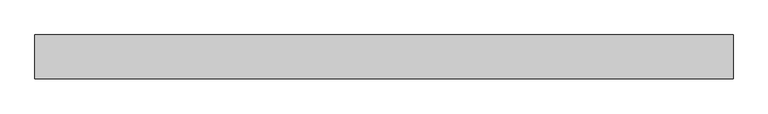
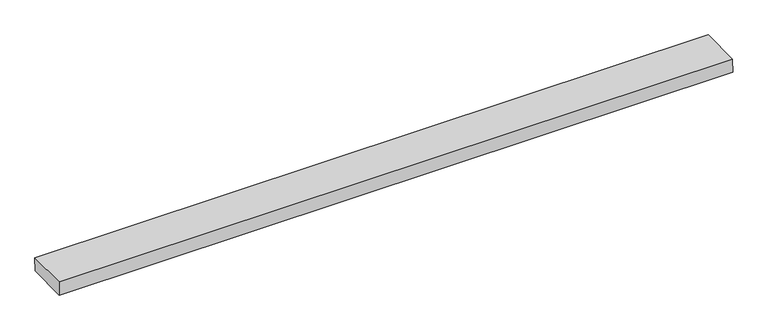
"""IFC4 building model written with IfcOpenShell, lengths in millimetres: proxy geometry."""

from ifc_helpers import new_model, si_unit, frame, origin, place, context, project, spatial, polyline, outline, extrude, source, transform, mapped, element, save


def generic_models_04e72811(model_context):
    return source(origin(), model_context, "Body", "SweptSolid", [
        extrude(outline(polyline([(-76.2, 0.0), (-75.7566414, 25.4), (0.4433586, 25.4), (0.0, 0.0), (-76.2, 0.0)])), frame((-609.6, 0.0, 0.0), z_axis=(1.0, 0.0, 0.0), x_axis=(0.0, 1.0, 0.0)), (0.0, 0.0, 1.0), 1219.2),
    ])


if __name__ == "__main__":
    model = new_model("IFC4")
    model_context = context("Model", 3, world=origin())
    ifc_project = project(units=[si_unit("LENGTHUNIT", "METRE", prefix="MILLI")], contexts=[model_context])
    site = spatial("IfcSite", under=ifc_project)
    building = spatial("IfcBuilding", under=site)
    placement = place(None, origin())
    generic_models_shape = generic_models_04e72811(model_context)
    element("IfcBuildingElementProxy", 1, Name="Generic Models", at=placement, inside=building, context=model_context, shape_type="MappedRepresentation", body=[
        mapped(generic_models_shape, transform((0.0, 0.0, 0.0), x_axis=(1.0, 0.0, 0.0), y_axis=(0.0, 1.0, 0.0), z_axis=(0.0, 0.0, 1.0))),
    ])
    save(model, "model.ifc")
